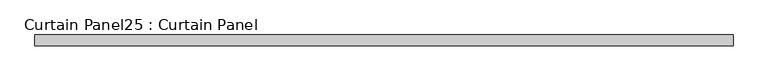
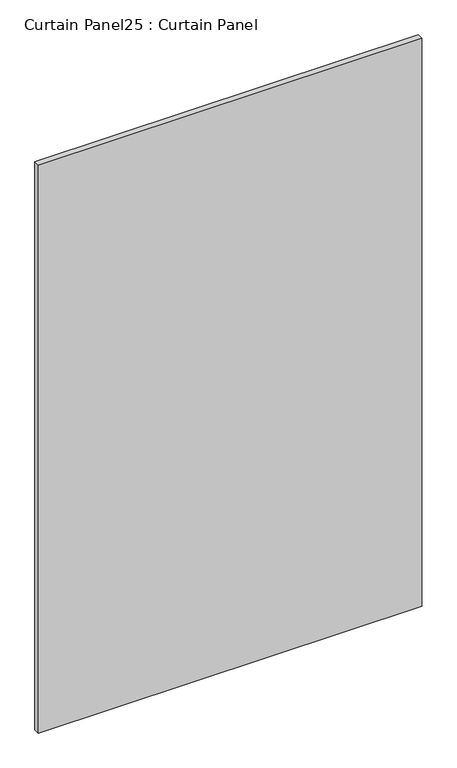
"""IFC4 building model written with IfcOpenShell, lengths in millimetres: plate geometry, Curtain Panel25 : Curtain Panel."""

from ifc_helpers import new_model, si_unit, frame, origin, place, context, project, spatial, polyline, outline, extrude, source, transform, mapped, element, save


def curtain_panel25_curtain_panel_aaf055e0(model_context):
    return source(origin(), model_context, "Body", "SweptSolid", [
        extrude(outline(polyline([(38744.0835443, 3503.7898365), (37117.7358434, 3503.7898365), (37117.7358434, 3529.1898365), (38744.0835443, 3529.1898365), (38744.0835443, 3503.7898365)])), frame((0.0, 0.0, -540.6870014), z_axis=(0.0, 0.0, 1.0), x_axis=(1.0, 0.0, 0.0)), (0.0, 0.0, 1.0), 2546.3499995),
    ])


if __name__ == "__main__":
    model = new_model("IFC4")
    model_context = context("Model", 3, world=origin())
    ifc_project = project(units=[si_unit("LENGTHUNIT", "METRE", prefix="MILLI")], contexts=[model_context])
    site = spatial("IfcSite", under=ifc_project)
    building = spatial("IfcBuilding", under=site)
    placement = place(None, origin())
    curtain_panel25_curtain_panel_shape = curtain_panel25_curtain_panel_aaf055e0(model_context)
    element("IfcPlate", 1, ObjectType="Curtain Panel25 : Curtain Panel", at=placement, inside=building, context=model_context, shape_type="MappedRepresentation", body=[
        mapped(curtain_panel25_curtain_panel_shape, transform((0.0, 0.0, 0.0), x_axis=(1.0, 0.0, 0.0), y_axis=(0.0, 1.0, 0.0), z_axis=(0.0, 0.0, 1.0))),
    ])
    save(model, "model.ifc")
